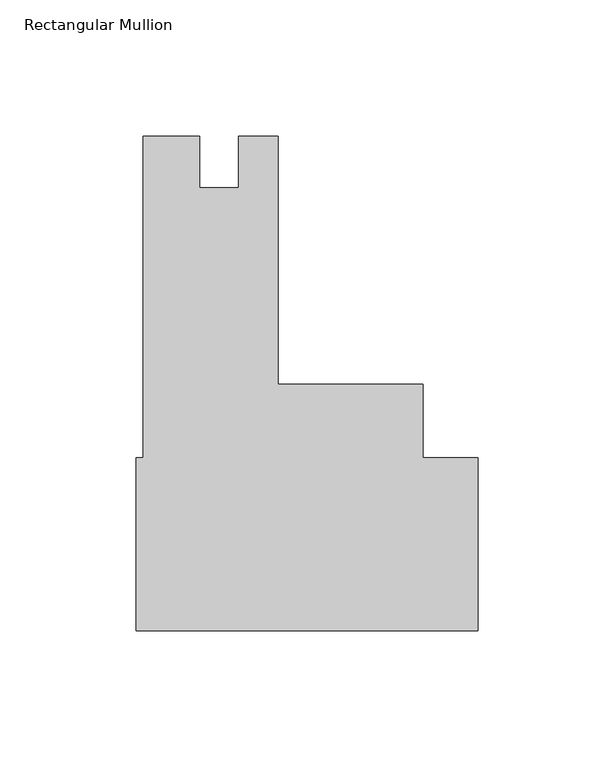
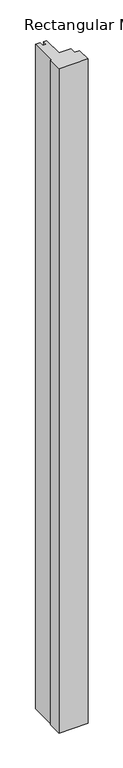
"""IFC4 building model written with IfcOpenShell, lengths in millimetres: member geometry, Rectangular Mullion."""

import ifcopenshell
import ifcopenshell.guid

model = None  # the IFC model being written
_history = None  # IfcOwnerHistory: only IFC2X3 demands one
_inside = {}  # id of a spatial element -> (the spatial element, [elements in it])
_under = {}  # id of a project, library or spatial element -> (it, [spatial elements below it])
_declared = {}  # id of a project -> (the project, [libraries it declares])
_typed = {}  # id of a type object -> (the type object, [elements of that type])
_made_of = {}  # id of a material, layer set ... -> (it, [elements and type objects made of it])


def new_model(schema):
    """Start an empty IFC model of exactly this schema.

    Asked for "IFC4X3", IfcOpenShell would pick the latest addendum, in which some entities
    have other attributes; the version numbers below select the first issue.
    IFC2X3 requires an IfcOwnerHistory on every rooted entity: one is made here for all.
    """
    global model, _history
    if schema == "IFC4X3":
        model = ifcopenshell.file(schema_version=(4, 3, 0, 0))
    else:
        model = ifcopenshell.file(schema=schema)
    _inside.clear()
    _under.clear()
    _declared.clear()
    _typed.clear()
    _made_of.clear()
    _history = None
    if model.schema == "IFC2X3":
        org = make("IfcOrganization", Name="unknown")
        user = make(
            "IfcPersonAndOrganization",
            ThePerson=make("IfcPerson", FamilyName="unknown"),
            TheOrganization=org,
        )
        app = make(
            "IfcApplication",
            ApplicationDeveloper=org,
            Version="unknown",
            ApplicationFullName="unknown",
            ApplicationIdentifier="unknown",
        )
        _history = make(
            "IfcOwnerHistory",
            OwningUser=user,
            OwningApplication=app,
            ChangeAction="ADDED",
            CreationDate=0,
        )
    return model


def make(cls, **values):
    """One entity of the class cls with the attributes given. An attribute that is None is left unset."""
    return model.create_entity(
        cls, **{name: value for name, value in values.items() if value is not None}
    )


def rooted(cls, **values):
    """An entity with a GlobalId (a new one), such as an element, a storey or a relation."""
    return make(cls, GlobalId=ifcopenshell.guid.new(), OwnerHistory=_history, **values)


def si_unit(unit_type, name, prefix=None):
    """IfcSIUnit, for example si_unit("LENGTHUNIT", "METRE", prefix="MILLI")."""
    return make("IfcSIUnit", UnitType=unit_type, Prefix=prefix, Name=name)


def assignment(units):
    """IfcUnitAssignment: the units of a project."""
    return None if units is None else make("IfcUnitAssignment", Units=units)


def point(xyz):
    """IfcCartesianPoint."""
    return None if xyz is None else make("IfcCartesianPoint", Coordinates=xyz)


def direction(xyz):
    """IfcDirection."""
    return None if xyz is None else make("IfcDirection", DirectionRatios=xyz)


def frame(location, z_axis=None, x_axis=None):
    """IfcAxis2Placement3D, a coordinate frame: its origin and axes. An axis left out is left unset."""
    return make(
        "IfcAxis2Placement3D",
        Location=point(location),
        Axis=direction(z_axis),
        RefDirection=direction(x_axis),
    )


def origin():
    """The frame at (0, 0, 0) with its axes left unset."""
    return frame((0.0, 0.0, 0.0))


def place(relative_to, where):
    """IfcLocalPlacement: puts the frame where relative to a parent placement (None: the world)."""
    return make(
        "IfcLocalPlacement", PlacementRelTo=relative_to, RelativePlacement=where
    )


def context(
    kind, dimensions, precision=None, world=None, true_north=None, identifier=None
):
    """IfcGeometricRepresentationContext, for example the 3D "Model" context."""
    return make(
        "IfcGeometricRepresentationContext",
        ContextIdentifier=identifier,
        ContextType=kind,
        CoordinateSpaceDimension=dimensions,
        Precision=precision,
        WorldCoordinateSystem=world,
        TrueNorth=true_north,
    )


def project(units=None, contexts=None):
    """IfcProject with its units and contexts."""
    return rooted(
        "IfcProject",
        Name="project",
        RepresentationContexts=contexts,
        UnitsInContext=assignment(units),
    )


def spatial(cls, under=None, at=None, **own):
    """A site, building, storey or space (cls), placed at a placement, below another one or the project."""
    s = rooted(cls, ObjectPlacement=at, **own)
    if under is not None:
        _under.setdefault(under.id(), (under, []))[1].append(s)
    return s


def polyline(points):
    """IfcPolyline through the points."""
    return make("IfcPolyline", Points=[point(p) for p in points])


def outline(outer, holes=None, kind="AREA"):
    """IfcArbitraryClosedProfileDef: a profile drawn as a closed curve; with holes, ...WithVoids."""
    if holes is None:
        return make("IfcArbitraryClosedProfileDef", ProfileType=kind, OuterCurve=outer)
    return make(
        "IfcArbitraryProfileDefWithVoids",
        ProfileType=kind,
        OuterCurve=outer,
        InnerCurves=holes,
    )


def extrude(swept, where, along, depth):
    """IfcExtrudedAreaSolid: the profile swept, set in the frame where, extruded along a direction by depth."""
    return make(
        "IfcExtrudedAreaSolid",
        SweptArea=swept,
        Position=where,
        ExtrudedDirection=direction(along),
        Depth=depth,
    )


def shape(context_of_items, identifier, shape_type, items):
    """IfcShapeRepresentation: the items that make up one representation, for example the "Body"."""
    return make(
        "IfcShapeRepresentation",
        ContextOfItems=context_of_items,
        RepresentationIdentifier=identifier,
        RepresentationType=shape_type,
        Items=items,
    )


def source(mapping_origin, context_of_items, identifier, shape_type, items):
    """IfcRepresentationMap: a shape defined once, which mapped items show again and again."""
    return make(
        "IfcRepresentationMap",
        MappingOrigin=mapping_origin,
        MappedRepresentation=shape(context_of_items, identifier, shape_type, items),
    )


def transform(
    local_origin,
    x_axis=None,
    y_axis=None,
    z_axis=None,
    scale=None,
    scale2=None,
    scale3=None,
    uniform=True,
):
    """IfcCartesianTransformationOperator3D, or its non-uniform kind. x_axis, y_axis, z_axis: its Axis1, 2, 3."""
    if uniform:
        return make(
            "IfcCartesianTransformationOperator3D",
            Axis1=direction(x_axis),
            Axis2=direction(y_axis),
            LocalOrigin=point(local_origin),
            Scale=scale,
            Axis3=direction(z_axis),
        )
    return make(
        "IfcCartesianTransformationOperator3DnonUniform",
        Axis1=direction(x_axis),
        Axis2=direction(y_axis),
        LocalOrigin=point(local_origin),
        Scale=scale,
        Axis3=direction(z_axis),
        Scale2=scale2,
        Scale3=scale3,
    )


def mapped(mapping_source, mapping_target):
    """IfcMappedItem: shows the shape of a source again, moved by a transform."""
    return make(
        "IfcMappedItem", MappingSource=mapping_source, MappingTarget=mapping_target
    )


def made_of(thing, what):
    """Note that an element or type object is made of a material, layer set ...; save() writes the relation."""
    if what is not None:
        _made_of.setdefault(what.id(), (what, []))[1].append(thing)
    return thing


def element(
    cls,
    number,
    at=None,
    inside=None,
    cuts=None,
    type_object=None,
    material=None,
    context=None,
    identifier="Body",
    shape_type=None,
    held_by="IfcProductDefinitionShape",
    body=None,
    shapes=None,
    **own,
):
    """One element of the class cls, such as IfcWall. Its Tag is "e" and its number.

    at: its placement. inside: the storey or other place that contains it. cuts: it is an
    opening in that element (IfcRelVoidsElement). A single representation is given by context,
    identifier, shape_type and body (its items); several are given by shapes. held_by: the class
    of the entity that holds the representations. save() writes the other relations.
    """
    e = rooted(cls, Tag="e%d" % number, ObjectPlacement=at, **own)
    if body is not None:
        shapes = [shape(context, identifier, shape_type, body)]
    if shapes is not None:
        e.Representation = make(held_by, Representations=shapes)
    if inside is not None:
        _inside.setdefault(inside.id(), (inside, []))[1].append(e)
    if cuts is not None:
        rooted(
            "IfcRelVoidsElement", RelatingBuildingElement=cuts, RelatedOpeningElement=e
        )
    if type_object is not None:
        _typed.setdefault(type_object.id(), (type_object, []))[1].append(e)
    return made_of(e, material)


def aggregate(whole, parts):
    """IfcRelAggregates: a whole, such as a stair, and the parts it consists of."""
    return rooted("IfcRelAggregates", RelatingObject=whole, RelatedObjects=parts)


def save(model, path):
    """Write the relations noted so far, then the file.

    IfcRelAggregates (storeys below a building ...), IfcRelContainedInSpatialStructure (elements
    in a storey), IfcRelDefinesByType, IfcRelAssociatesMaterial and IfcRelDeclares: one each for
    every whole, place, type object, material and project.
    """
    for whole, parts in _under.values():
        aggregate(whole, parts)
    for where, things in _inside.values():
        rooted(
            "IfcRelContainedInSpatialStructure",
            RelatedElements=things,
            RelatingStructure=where,
        )
    for kind, things in _typed.values():
        rooted("IfcRelDefinesByType", RelatedObjects=things, RelatingType=kind)
    for what, things in _made_of.values():
        rooted("IfcRelAssociatesMaterial", RelatedObjects=things, RelatingMaterial=what)
    for by, libraries in _declared.values():
        rooted("IfcRelDeclares", RelatingContext=by, RelatedDefinitions=libraries)
    model.write(path)


def rectangular_mullion_9a5e7787(model_context):
    return source(origin(), model_context, "Body", "SweptSolid", [
        extrude(outline(polyline([(0.0, -90.4748001), (-125.7808, -90.4748001), (-125.7808, -26.9747998), (-123.2154002, -26.9747998), (-123.2154002, 91.2939503), (-102.3365936, 91.2939503), (-102.3365936, 72.2693515), (-88.0237002, 72.2693515), (-88.0237002, 91.2939515), (-73.4314002, 91.2939515), (-73.4314002, 0.0), (-20.2501501, 0.0), (-20.2501501, -26.9747998), (0.0, -26.9747998), (0.0, -90.4748001)])), frame((0.0, 0.0, -3048.0), z_axis=(0.0, 0.0, 1.0), x_axis=(1.0, 0.0, 0.0)), (0.0, 0.0, 1.0), 3048.0),
    ])


if __name__ == "__main__":
    model = new_model("IFC4")
    model_context = context("Model", 3, world=origin())
    ifc_project = project(units=[si_unit("LENGTHUNIT", "METRE", prefix="MILLI")], contexts=[model_context])
    site = spatial("IfcSite", under=ifc_project)
    building = spatial("IfcBuilding", under=site)
    placement = place(None, origin())
    rectangular_mullion_shape = rectangular_mullion_9a5e7787(model_context)
    element("IfcMember", 1, ObjectType="Rectangular Mullion", at=placement, inside=building, context=model_context, shape_type="MappedRepresentation", body=[
        mapped(rectangular_mullion_shape, transform((0.0, 0.0, 0.0), x_axis=(1.0, 0.0, 0.0), y_axis=(0.0, 1.0, 0.0), z_axis=(0.0, 0.0, 1.0))),
    ])
    save(model, "model.ifc")
